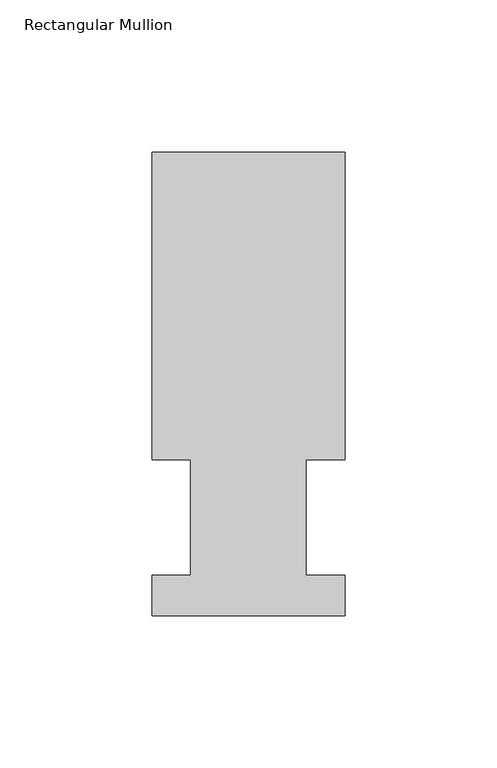
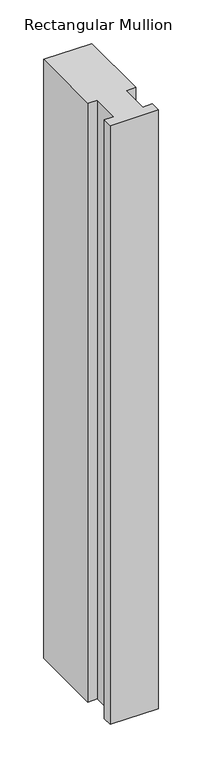
"""IFC4 building model written with IfcOpenShell, lengths in millimetres: member geometry, Rectangular Mullion."""

from ifc_helpers import new_model, si_unit, frame, origin, place, context, project, spatial, polyline, outline, extrude, source, transform, mapped, element, save


def rectangular_mullion_dbeffe78(model_context):
    return source(origin(), model_context, "Body", "SweptSolid", [
        extrude(outline(polyline([(31.75, 152.4896938), (31.75, 51.2960938), (19.05, 51.2960938), (19.05, 13.1960938), (31.75, 13.1960938), (31.75, 0.0134938), (-31.75, 0.0134938), (-31.75, 13.1960938), (-19.05, 13.1960938), (-19.05, 51.2960938), (-31.75, 51.2960938), (-31.75, 152.4896938), (31.75, 152.4896938)])), frame((0.0, 0.0, -838.2000001), z_axis=(0.0, 0.0, 1.0), x_axis=(1.0, 0.0, 0.0)), (0.0, 0.0, 1.0), 838.2000001),
    ])


if __name__ == "__main__":
    model = new_model("IFC4")
    model_context = context("Model", 3, world=origin())
    ifc_project = project(units=[si_unit("LENGTHUNIT", "METRE", prefix="MILLI")], contexts=[model_context])
    site = spatial("IfcSite", under=ifc_project)
    building = spatial("IfcBuilding", under=site)
    placement = place(None, origin())
    rectangular_mullion_shape = rectangular_mullion_dbeffe78(model_context)
    element("IfcMember", 1, ObjectType="Rectangular Mullion", at=placement, inside=building, context=model_context, shape_type="MappedRepresentation", body=[
        mapped(rectangular_mullion_shape, transform((0.0, 0.0, 0.0), x_axis=(1.0, 0.0, 0.0), y_axis=(0.0, 1.0, 0.0), z_axis=(0.0, 0.0, 1.0))),
    ])
    save(model, "model.ifc")
